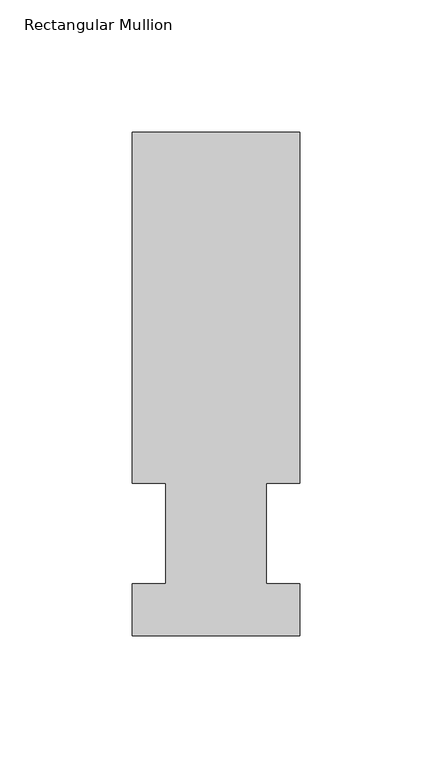
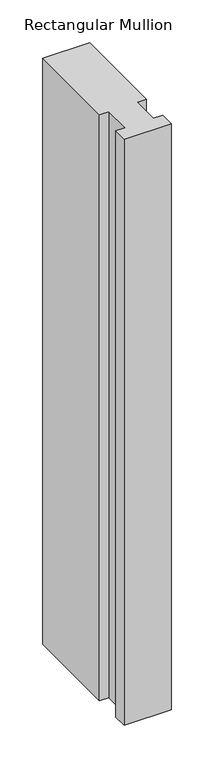
"""IFC4 building model written with IfcOpenShell, lengths in millimetres: member geometry, Rectangular Mullion."""

from ifc_helpers import new_model, si_unit, frame, origin, place, context, project, spatial, polyline, outline, extrude, source, transform, mapped, element, save


def rectangular_mullion_086f8b1d(model_context):
    return source(origin(), model_context, "Body", "SweptSolid", [
        extrude(outline(polyline([(31.75, 190.5896938), (31.75, 57.6460937), (19.05, 57.6460937), (19.05, 19.5460938), (31.75, 19.5460938), (31.75, 0.0134938), (-31.75, 0.0134938), (-31.75, 19.5460938), (-19.05, 19.5460938), (-19.05, 57.6460937), (-31.7500006, 57.6460937), (-31.7500006, 190.5896938), (31.75, 190.5896938)])), frame((0.0, 0.0, -838.2), z_axis=(0.0, 0.0, 1.0), x_axis=(1.0, 0.0, 0.0)), (0.0, 0.0, 1.0), 838.2),
    ])


if __name__ == "__main__":
    model = new_model("IFC4")
    model_context = context("Model", 3, world=origin())
    ifc_project = project(units=[si_unit("LENGTHUNIT", "METRE", prefix="MILLI")], contexts=[model_context])
    site = spatial("IfcSite", under=ifc_project)
    building = spatial("IfcBuilding", under=site)
    placement = place(None, origin())
    rectangular_mullion_shape = rectangular_mullion_086f8b1d(model_context)
    element("IfcMember", 1, ObjectType="Rectangular Mullion", at=placement, inside=building, context=model_context, shape_type="MappedRepresentation", body=[
        mapped(rectangular_mullion_shape, transform((0.0, 0.0, 0.0), x_axis=(1.0, 0.0, 0.0), y_axis=(0.0, 1.0, 0.0), z_axis=(0.0, 0.0, 1.0))),
    ])
    save(model, "model.ifc")
